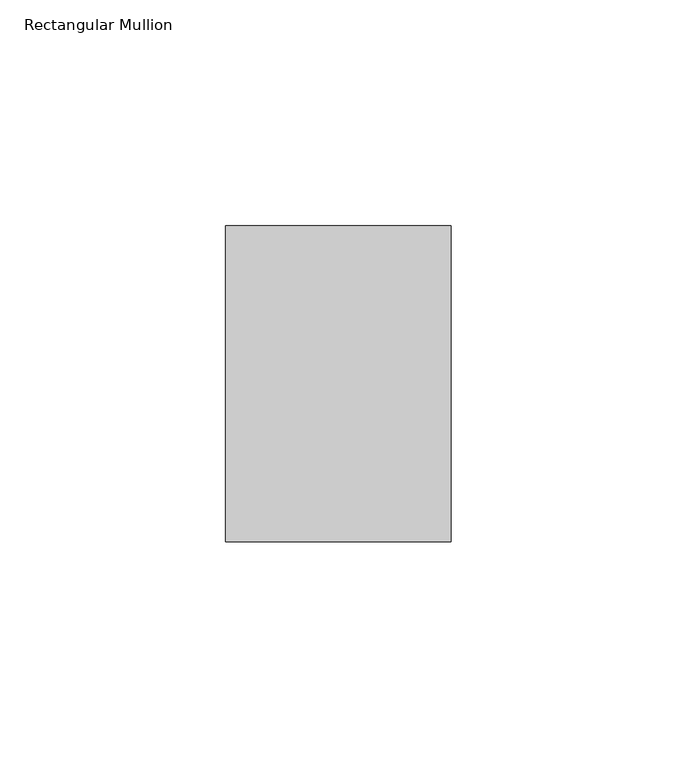
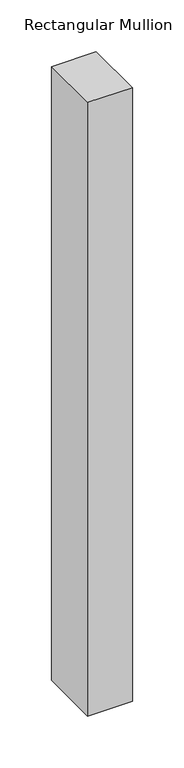
"""IFC4 building model written with IfcOpenShell, lengths in millimetres: member geometry, Rectangular Mullion."""

import ifcopenshell
import ifcopenshell.guid

model = None  # the IFC model being written
_history = None  # IfcOwnerHistory: only IFC2X3 demands one
_inside = {}  # id of a spatial element -> (the spatial element, [elements in it])
_under = {}  # id of a project, library or spatial element -> (it, [spatial elements below it])
_declared = {}  # id of a project -> (the project, [libraries it declares])
_typed = {}  # id of a type object -> (the type object, [elements of that type])
_made_of = {}  # id of a material, layer set ... -> (it, [elements and type objects made of it])


def new_model(schema):
    """Start an empty IFC model of exactly this schema.

    Asked for "IFC4X3", IfcOpenShell would pick the latest addendum, in which some entities
    have other attributes; the version numbers below select the first issue.
    IFC2X3 requires an IfcOwnerHistory on every rooted entity: one is made here for all.
    """
    global model, _history
    if schema == "IFC4X3":
        model = ifcopenshell.file(schema_version=(4, 3, 0, 0))
    else:
        model = ifcopenshell.file(schema=schema)
    _inside.clear()
    _under.clear()
    _declared.clear()
    _typed.clear()
    _made_of.clear()
    _history = None
    if model.schema == "IFC2X3":
        org = make("IfcOrganization", Name="unknown")
        user = make(
            "IfcPersonAndOrganization",
            ThePerson=make("IfcPerson", FamilyName="unknown"),
            TheOrganization=org,
        )
        app = make(
            "IfcApplication",
            ApplicationDeveloper=org,
            Version="unknown",
            ApplicationFullName="unknown",
            ApplicationIdentifier="unknown",
        )
        _history = make(
            "IfcOwnerHistory",
            OwningUser=user,
            OwningApplication=app,
            ChangeAction="ADDED",
            CreationDate=0,
        )
    return model


def make(cls, **values):
    """One entity of the class cls with the attributes given. An attribute that is None is left unset."""
    return model.create_entity(
        cls, **{name: value for name, value in values.items() if value is not None}
    )


def rooted(cls, **values):
    """An entity with a GlobalId (a new one), such as an element, a storey or a relation."""
    return make(cls, GlobalId=ifcopenshell.guid.new(), OwnerHistory=_history, **values)


def si_unit(unit_type, name, prefix=None):
    """IfcSIUnit, for example si_unit("LENGTHUNIT", "METRE", prefix="MILLI")."""
    return make("IfcSIUnit", UnitType=unit_type, Prefix=prefix, Name=name)


def assignment(units):
    """IfcUnitAssignment: the units of a project."""
    return None if units is None else make("IfcUnitAssignment", Units=units)


def point(xyz):
    """IfcCartesianPoint."""
    return None if xyz is None else make("IfcCartesianPoint", Coordinates=xyz)


def direction(xyz):
    """IfcDirection."""
    return None if xyz is None else make("IfcDirection", DirectionRatios=xyz)


def frame(location, z_axis=None, x_axis=None):
    """IfcAxis2Placement3D, a coordinate frame: its origin and axes. An axis left out is left unset."""
    return make(
        "IfcAxis2Placement3D",
        Location=point(location),
        Axis=direction(z_axis),
        RefDirection=direction(x_axis),
    )


def origin():
    """The frame at (0, 0, 0) with its axes left unset."""
    return frame((0.0, 0.0, 0.0))


def place(relative_to, where):
    """IfcLocalPlacement: puts the frame where relative to a parent placement (None: the world)."""
    return make(
        "IfcLocalPlacement", PlacementRelTo=relative_to, RelativePlacement=where
    )


def context(
    kind, dimensions, precision=None, world=None, true_north=None, identifier=None
):
    """IfcGeometricRepresentationContext, for example the 3D "Model" context."""
    return make(
        "IfcGeometricRepresentationContext",
        ContextIdentifier=identifier,
        ContextType=kind,
        CoordinateSpaceDimension=dimensions,
        Precision=precision,
        WorldCoordinateSystem=world,
        TrueNorth=true_north,
    )


def project(units=None, contexts=None):
    """IfcProject with its units and contexts."""
    return rooted(
        "IfcProject",
        Name="project",
        RepresentationContexts=contexts,
        UnitsInContext=assignment(units),
    )


def spatial(cls, under=None, at=None, **own):
    """A site, building, storey or space (cls), placed at a placement, below another one or the project."""
    s = rooted(cls, ObjectPlacement=at, **own)
    if under is not None:
        _under.setdefault(under.id(), (under, []))[1].append(s)
    return s


def polyline(points):
    """IfcPolyline through the points."""
    return make("IfcPolyline", Points=[point(p) for p in points])


def outline(outer, holes=None, kind="AREA"):
    """IfcArbitraryClosedProfileDef: a profile drawn as a closed curve; with holes, ...WithVoids."""
    if holes is None:
        return make("IfcArbitraryClosedProfileDef", ProfileType=kind, OuterCurve=outer)
    return make(
        "IfcArbitraryProfileDefWithVoids",
        ProfileType=kind,
        OuterCurve=outer,
        InnerCurves=holes,
    )


def extrude(swept, where, along, depth):
    """IfcExtrudedAreaSolid: the profile swept, set in the frame where, extruded along a direction by depth."""
    return make(
        "IfcExtrudedAreaSolid",
        SweptArea=swept,
        Position=where,
        ExtrudedDirection=direction(along),
        Depth=depth,
    )


def shape(context_of_items, identifier, shape_type, items):
    """IfcShapeRepresentation: the items that make up one representation, for example the "Body"."""
    return make(
        "IfcShapeRepresentation",
        ContextOfItems=context_of_items,
        RepresentationIdentifier=identifier,
        RepresentationType=shape_type,
        Items=items,
    )


def source(mapping_origin, context_of_items, identifier, shape_type, items):
    """IfcRepresentationMap: a shape defined once, which mapped items show again and again."""
    return make(
        "IfcRepresentationMap",
        MappingOrigin=mapping_origin,
        MappedRepresentation=shape(context_of_items, identifier, shape_type, items),
    )


def transform(
    local_origin,
    x_axis=None,
    y_axis=None,
    z_axis=None,
    scale=None,
    scale2=None,
    scale3=None,
    uniform=True,
):
    """IfcCartesianTransformationOperator3D, or its non-uniform kind. x_axis, y_axis, z_axis: its Axis1, 2, 3."""
    if uniform:
        return make(
            "IfcCartesianTransformationOperator3D",
            Axis1=direction(x_axis),
            Axis2=direction(y_axis),
            LocalOrigin=point(local_origin),
            Scale=scale,
            Axis3=direction(z_axis),
        )
    return make(
        "IfcCartesianTransformationOperator3DnonUniform",
        Axis1=direction(x_axis),
        Axis2=direction(y_axis),
        LocalOrigin=point(local_origin),
        Scale=scale,
        Axis3=direction(z_axis),
        Scale2=scale2,
        Scale3=scale3,
    )


def mapped(mapping_source, mapping_target):
    """IfcMappedItem: shows the shape of a source again, moved by a transform."""
    return make(
        "IfcMappedItem", MappingSource=mapping_source, MappingTarget=mapping_target
    )


def made_of(thing, what):
    """Note that an element or type object is made of a material, layer set ...; save() writes the relation."""
    if what is not None:
        _made_of.setdefault(what.id(), (what, []))[1].append(thing)
    return thing


def element(
    cls,
    number,
    at=None,
    inside=None,
    cuts=None,
    type_object=None,
    material=None,
    context=None,
    identifier="Body",
    shape_type=None,
    held_by="IfcProductDefinitionShape",
    body=None,
    shapes=None,
    **own,
):
    """One element of the class cls, such as IfcWall. Its Tag is "e" and its number.

    at: its placement. inside: the storey or other place that contains it. cuts: it is an
    opening in that element (IfcRelVoidsElement). A single representation is given by context,
    identifier, shape_type and body (its items); several are given by shapes. held_by: the class
    of the entity that holds the representations. save() writes the other relations.
    """
    e = rooted(cls, Tag="e%d" % number, ObjectPlacement=at, **own)
    if body is not None:
        shapes = [shape(context, identifier, shape_type, body)]
    if shapes is not None:
        e.Representation = make(held_by, Representations=shapes)
    if inside is not None:
        _inside.setdefault(inside.id(), (inside, []))[1].append(e)
    if cuts is not None:
        rooted(
            "IfcRelVoidsElement", RelatingBuildingElement=cuts, RelatedOpeningElement=e
        )
    if type_object is not None:
        _typed.setdefault(type_object.id(), (type_object, []))[1].append(e)
    return made_of(e, material)


def aggregate(whole, parts):
    """IfcRelAggregates: a whole, such as a stair, and the parts it consists of."""
    return rooted("IfcRelAggregates", RelatingObject=whole, RelatedObjects=parts)


def save(model, path):
    """Write the relations noted so far, then the file.

    IfcRelAggregates (storeys below a building ...), IfcRelContainedInSpatialStructure (elements
    in a storey), IfcRelDefinesByType, IfcRelAssociatesMaterial and IfcRelDeclares: one each for
    every whole, place, type object, material and project.
    """
    for whole, parts in _under.values():
        aggregate(whole, parts)
    for where, things in _inside.values():
        rooted(
            "IfcRelContainedInSpatialStructure",
            RelatedElements=things,
            RelatingStructure=where,
        )
    for kind, things in _typed.values():
        rooted("IfcRelDefinesByType", RelatedObjects=things, RelatingType=kind)
    for what, things in _made_of.values():
        rooted("IfcRelAssociatesMaterial", RelatedObjects=things, RelatingMaterial=what)
    for by, libraries in _declared.values():
        rooted("IfcRelDeclares", RelatingContext=by, RelatedDefinitions=libraries)
    model.write(path)


def rectangular_mullion_721aa03b(model_context):
    return source(origin(), model_context, "Body", "SweptSolid", [
        extrude(outline(polyline([(25.0, 35.0), (25.0, -35.0), (-25.0, -35.0), (-25.0, 35.0), (25.0, 35.0)])), frame((0.0, 0.0, -725.0), z_axis=(0.0, 0.0, 1.0), x_axis=(1.0, 0.0, 0.0)), (0.0, 0.0, 1.0), 725.0),
    ])


if __name__ == "__main__":
    model = new_model("IFC4")
    model_context = context("Model", 3, world=origin())
    ifc_project = project(units=[si_unit("LENGTHUNIT", "METRE", prefix="MILLI")], contexts=[model_context])
    site = spatial("IfcSite", under=ifc_project)
    building = spatial("IfcBuilding", under=site)
    placement = place(None, origin())
    rectangular_mullion_shape = rectangular_mullion_721aa03b(model_context)
    element("IfcMember", 1, ObjectType="Rectangular Mullion", at=placement, inside=building, context=model_context, shape_type="MappedRepresentation", body=[
        mapped(rectangular_mullion_shape, transform((0.0, 0.0, 0.0), x_axis=(1.0, 0.0, 0.0), y_axis=(0.0, 1.0, 0.0), z_axis=(0.0, 0.0, 1.0))),
    ])
    save(model, "model.ifc")
